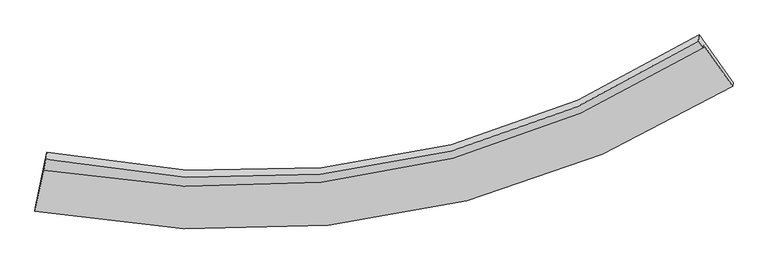
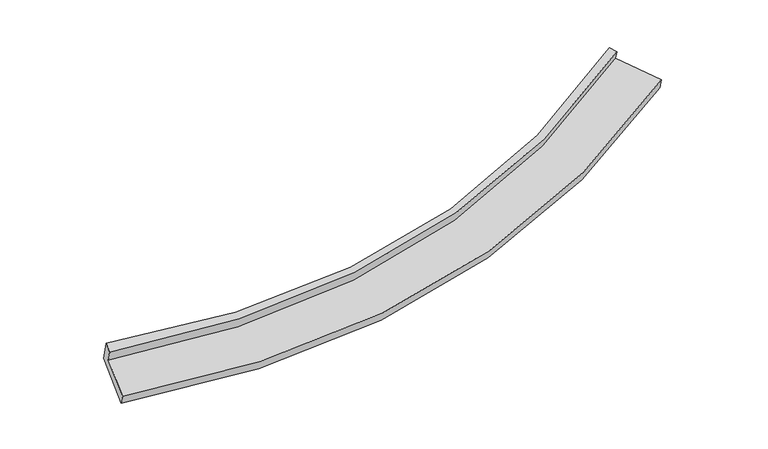
"""IFC4 building model written with IfcOpenShell, lengths in millimetres: proxy geometry."""

from ifc_helpers import new_model, si_unit, frame, origin, place, context, project, spatial, source, transform, mapped, element, save
from ifc_brep_helpers import plane_surface, spline_curve, spline_surface, advanced_brep


def generic_models_fd97f29d(model_context):
    return source(origin(), model_context, "Body", "AdvancedBrep", [
        advanced_brep(
        [(-5188.6552602, -2173.9768885, 1770.1824196), (-5181.7626391, -2121.7552339, 1600.8276021), (4312.1187718, -366.8138864, 2547.9312393), (4306.6016465, -408.6141551, 2683.489504), (-5155.8280828, -2016.0642605, 1820.2118439), (4237.7142595, -313.8997021, 2720.2674013), (-5142.4092053, -1914.3966981, 1490.5039554), (4249.4329352, -225.1136467, 2432.3342379), (-5308.285241, -2712.33069, 1237.704805), (4739.6259176, -911.0763828, 2202.8184397), (-5314.8114974, -2761.7765978, 1398.057876), (4732.4012813, -965.8135361, 2380.331019)],
        [
            (0, 1),
            (1, 2, spline_curve(3, [(-5181.7626391, -2121.7552339, 1600.8276021), (-3106.688949794, -2492.518657422, 1569.696917446), (-1143.805858956, -2434.243953512, 1669.364757196), (1960.072834268, -1616.949930788, 2055.890147962), (3161.816879735, -1090.244185345, 2271.923520308), (4312.1187718, -366.8138864, 2547.9312393)], [4, 2, 4], [0.0, 19.355827595155745, 32.462519340600736])),
            (2, 3),
            (3, 0, spline_curve(3, [(4306.6016465, -408.6141551, 2683.489504), (3155.76211226, -1136.117879278, 2420.691902095), (1953.622755289, -1665.818683759, 2214.371506171), (-1150.882516498, -2487.859952811, 1843.241433822), (-3113.828794492, -2546.613392233, 1745.126134963), (-5188.6552602, -2173.9768885, 1770.1824196)], [4, 2, 4], [0.0, 13.10669174544499, 32.462519340600736])),
            (4, 0),
            (3, 5),
            (5, 4, spline_curve(3, [(4237.7142595, -313.8997021, 2720.2674013), (3100.035106913, -1046.269435659, 2451.649971029), (1911.26957329, -1575.437568549, 2242.579549475), (-1159.582898529, -2382.788123259, 1872.241498741), (-3101.998145844, -2421.008176897, 1781.293401084), (-5155.8280828, -2016.0642605, 1820.2118439)], [4, 2, 4], [0.0, 13.04092629967673, 32.29963216077999])),
            (6, 4),
            (5, 7),
            (7, 6, spline_curve(3, [(4249.4329352, -225.1136467, 2432.3342379), (3112.134053574, -954.602270537, 2154.373369298), (1923.687642785, -1481.352586829, 1937.461969833), (-1146.525884148, -2283.862199615, 1551.424743245), (-3088.693519551, -2320.206233518, 1454.392715297), (-5142.4092053, -1914.3966981, 1490.5039554)], [4, 2, 4], [0.0, 12.975384451025384, 32.1372987839992])),
            (8, 6),
            (7, 9),
            (9, 8, spline_curve(3, [(4739.6259176, -911.0763828, 2202.8184397), (3515.918213317, -1671.663037543, 1921.487244898), (2240.301189213, -2223.039852645, 1701.30112169), (-1047.702406122, -3070.515500725, 1307.389880016), (-3121.389101897, -3119.556787375, 1205.871458515), (-5308.285241, -2712.33069, 1237.704805)], [4, 2, 4], [0.0, 13.414241454146186, 33.2242552966156])),
            (10, 8),
            (9, 11),
            (11, 10, spline_curve(3, [(4732.4012813, -965.8135361, 2380.331019), (3509.03206951, -1723.835617168, 2090.682911626), (2233.654820456, -2273.395787832, 1864.60540999), (-1053.999405468, -3118.224451392, 1462.110001288), (-3127.693082898, -3167.318635035, 1360.76312176), (-5314.8114974, -2761.7765978, 1398.057876)], [4, 2, 4], [0.0, 13.853278401748145, 34.311657493872595])),
            (1, 10),
            (11, 2),
        ],
        [
            spline_surface(3, 3, [[(-5188.6552602, -2173.9768885, 1770.1824196), (-3113.828794707, -2546.613392405, 1745.126135219), (-1150.882516209, -2487.859952582, 1843.241434091), (1953.622755094, -1665.818683914, 2214.371505989), (3155.762112168, -1136.117879292, 2420.691901897), (4306.6016465, -408.6141551, 2683.489504)], [(-5186.357719837, -2156.569670299, 1713.730813767), (-3111.448846416, -2528.581813994, 1686.649729324), (-1148.52363036, -2469.987952878, 1785.282541916), (1955.772781425, -1649.529099579, 2161.544386606), (3157.78036808, -1120.826648017, 2371.102441322), (4308.440688278, -394.680732194, 2638.30341575)], [(-5184.060179463, -2139.162452101, 1657.279207933), (-3109.068898113, -2510.550235585, 1628.173323427), (-1146.164744523, -2452.115953117, 1727.323649664), (1957.922807745, -1633.239515189, 2108.717267147), (3159.798623958, -1105.535416759, 2321.512980796), (4310.279730022, -380.747309306, 2593.11732755)], [(-5181.7626391, -2121.7552339, 1600.8276021), (-3106.688949823, -2492.518657174, 1569.696917532), (-1143.805858674, -2434.243953412, 1669.364757489), (1960.072834077, -1616.949930855, 2055.890147763), (3161.81687987, -1090.244185483, 2271.923520221), (4312.1187718, -366.8138864, 2547.9312393)]], [4, 4], [4, 2, 4], [0.0, 0.5791038151485188], [0.0, 19.355827595155745, 32.462519340600736]),
            spline_surface(3, 3, [[(-5155.8280828, -2016.0642605, 1820.2118439), (-3101.998145808, -2421.008176845, 1781.293401179), (-1159.582898507, -2382.788123543, 1872.241498834), (1911.269573275, -1575.437568356, 2242.579549412), (3100.035106767, -1046.269435529, 2451.649970867), (4237.7142595, -313.8997021, 2720.2674013)], [(-5166.770475273, -2068.701803184, 1803.535369147), (-3105.941695447, -2462.876582049, 1769.237645873), (-1156.682771062, -2417.812066551, 1862.574810575), (1925.38730056, -1605.56460687, 2233.176868259), (3118.610775238, -1076.218916792, 2441.330614556), (4260.676721837, -345.471186442, 2708.008102212)], [(-5177.712867727, -2121.339345816, 1786.858894353), (-3109.885245068, -2504.744987201, 1757.181890525), (-1153.782643654, -2452.836009574, 1852.90812235), (1939.505027809, -1635.6916454, 2223.774187142), (3137.186443697, -1106.168398029, 2431.011258208), (4283.639184163, -377.042670758, 2695.748803088)], [(-5188.6552602, -2173.9768885, 1770.1824196), (-3113.828794707, -2546.613392405, 1745.126135219), (-1150.882516209, -2487.859952582, 1843.241434091), (1953.622755094, -1665.818683914, 2214.371505989), (3155.762112168, -1136.117879292, 2420.691901897), (4306.6016465, -408.6141551, 2683.489504)]], [4, 4], [4, 2, 4], [0.0, 0.35207457891287575], [0.0, 19.258705861103262, 32.29963216077999]),
            spline_surface(3, 3, [[(-5142.4092053, -1914.3966981, 1490.5039554), (-3088.693519473, -2320.206233605, 1454.392715478), (-1146.525883866, -2283.862199596, 1551.424743531), (1923.687642594, -1481.352586842, 1937.46196964), (3112.134053788, -954.602270415, 2154.373369128), (4249.4329352, -225.1136467, 2432.3342379)], [(-5146.882164456, -1948.285885554, 1600.406584878), (-3093.128394908, -2353.806881339, 1563.359610689), (-1150.878222083, -2316.837507562, 1658.363661975), (1919.548286151, -1512.71424733, 2039.167829574), (3108.101071429, -985.157992121, 2253.465569718), (4245.526709948, -254.708998501, 2528.311959043)], [(-5151.355123644, -1982.175073046, 1710.309214422), (-3097.563270374, -2387.407529111, 1672.326505968), (-1155.23056029, -2349.812815577, 1765.30258039), (1915.408929718, -1544.075907868, 2140.873689478), (3104.068089126, -1015.713713823, 2352.557770278), (4241.620484752, -284.304350299, 2624.289680157)], [(-5155.8280828, -2016.0642605, 1820.2118439), (-3101.998145808, -2421.008176845, 1781.293401179), (-1159.582898507, -2382.788123543, 1872.241498834), (1911.269573275, -1575.437568356, 2242.579549412), (3100.035106767, -1046.269435529, 2451.649970867), (4237.7142595, -313.8997021, 2720.2674013)]], [4, 4], [4, 2, 4], [0.0, 1.0848184980831341], [0.0, 19.161914332973815, 32.1372987839992]),
            spline_surface(3, 3, [[(-5308.285241, -2712.33069, 1237.704805), (-3121.389102199, -3119.556787636, 1205.871458622), (-1047.702406418, -3070.515500562, 1307.389880305), (2240.301189413, -2223.039852755, 1701.301121495), (3515.918213203, -1671.663037428, 1921.487244714), (4739.6259176, -911.0763828, 2202.8184397)], [(-5252.993229117, -2446.352692704, 1321.971188469), (-3110.490574641, -2853.106602963, 1288.711877577), (-1080.643565565, -2808.297733578, 1388.734834714), (2134.763340477, -1975.810764122, 1780.021404211), (3381.323493415, -1432.642781745, 1999.115952835), (4576.228256817, -682.422137421, 2279.32370575)], [(-5197.701217183, -2180.374695396, 1406.237571931), (-3099.592047031, -2586.656418278, 1371.552296524), (-1113.58472472, -2546.07996658, 1470.079789121), (2029.225491531, -1728.581675475, 1858.741686924), (3246.728773576, -1193.622526098, 2076.744661007), (4412.830595983, -453.767892079, 2355.82897185)], [(-5142.4092053, -1914.3966981, 1490.5039554), (-3088.693519473, -2320.206233605, 1454.392715478), (-1146.525883866, -2283.862199596, 1551.424743531), (1923.687642594, -1481.352586842, 1937.46196964), (3112.134053788, -954.602270415, 2154.373369128), (4249.4329352, -225.1136467, 2432.3342379)]], [4, 4], [4, 2, 4], [0.0, 2.708173911527753], [0.0, 19.810013842469417, 33.2242552966156]),
            spline_surface(3, 3, [[(-5314.8114974, -2761.7765978, 1398.057876), (-3127.693083161, -3167.318634902, 1360.76312158), (-1053.999405676, -3118.224451651, 1462.110000949), (2233.654820597, -2273.395787657, 1864.60541022), (3509.032069336, -1723.835617006, 2090.682911845), (4732.4012813, -965.8135361, 2380.331019)], [(-5312.636078607, -2745.294628547, 1344.606852355), (-3125.59175618, -3151.39801916, 1309.132567282), (-1051.900405911, -3102.321467963, 1410.536627399), (2235.870276881, -2256.610476031, 1810.170647309), (3511.327450595, -1706.44475716, 2034.284356152), (4734.80949337, -947.567818346, 2321.160159251)], [(-5310.460659793, -2728.812659253, 1291.155828645), (-3123.49042918, -3135.477403378, 1257.50201292), (-1049.801406183, -3086.41848425, 1358.963253855), (2238.085733129, -2239.825164381, 1755.735884405), (3513.622831943, -1689.053897275, 1977.885800407), (4737.21770553, -929.322100554, 2261.989299449)], [(-5308.285241, -2712.33069, 1237.704805), (-3121.389102199, -3119.556787636, 1205.871458622), (-1047.702406418, -3070.515500562, 1307.389880305), (2240.301189413, -2223.039852755, 1701.301121495), (3515.918213203, -1671.663037428, 1921.487244714), (4739.6259176, -911.0763828, 2202.8184397)]], [4, 4], [4, 2, 4], [0.0, 0.5420886768204405], [0.0, 20.45837909212445, 34.311657493872595]),
            spline_surface(3, 3, [[(-5181.7626391, -2121.7552339, 1600.8276021), (-3106.688949823, -2492.518657174, 1569.696917532), (-1143.805858674, -2434.243953412, 1669.364757489), (1960.072834077, -1616.949930855, 2055.890147763), (3161.81687987, -1090.244185483, 2271.923520221), (4312.1187718, -366.8138864, 2547.9312393)], [(-5226.11225851, -2335.095688512, 1533.237693384), (-3113.690327579, -2717.451983062, 1500.052318865), (-1113.87037437, -2662.237452815, 1600.27983862), (2051.266829556, -1835.765216446, 1992.12856856), (3277.555276374, -1301.44132932, 2211.50998409), (4452.212941649, -566.480436296, 2492.064499194)], [(-5270.46187799, -2548.436143188, 1465.647784716), (-3120.691705405, -2942.385309014, 1430.407720247), (-1083.93488998, -2890.230952248, 1531.194919818), (2142.460825118, -2054.580502066, 1928.366989423), (3393.293672832, -1512.638473169, 2151.096447976), (4592.307111451, -766.146986204, 2436.197759106)], [(-5314.8114974, -2761.7765978, 1398.057876), (-3127.693083161, -3167.318634902, 1360.76312158), (-1053.999405676, -3118.224451651, 1462.110000949), (2233.654820597, -2273.395787657, 1864.60541022), (3509.032069336, -1723.835617006, 2090.682911845), (4732.4012813, -965.8135361, 2380.331019)]], [4, 4], [4, 2, 4], [0.0, 2.3560333321009943], [0.0, 19.907046491732007, 33.38699306837303]),
            plane_surface(frame((4429.6491353, -531.8885515, 2494.5286402), z_axis=(0.8276716676482663, 0.5259268224883038, 0.19585859174336528), x_axis=(-0.5609953838383307, 0.7850416923836855, 0.2626665576951949))),
            plane_surface(frame((-5215.2919876, -2283.3833948, 1552.9147503), z_axis=(-0.9801534661802117, 0.19713578364729387, 0.020896543749724397), x_axis=(-0.03886287970424046, -0.29444297820940163, 0.9548785311044916))),
        ],
        [
            (0, [[1, 2, 3, 4]]),
            (1, [[5, -4, 6, 7]]),
            (2, [[8, -7, 9, 10]]),
            (3, [[11, -10, 12, 13]]),
            (4, [[14, -13, 15, 16]]),
            (5, [[17, -16, 18, -2]]),
            (6, [[-12, -9, -6, -3, -18, -15]]),
            (7, [[-1, -5, -8, -11, -14, -17]]),
        ],
    ),
    ])


if __name__ == "__main__":
    model = new_model("IFC4")
    model_context = context("Model", 3, world=origin())
    ifc_project = project(units=[si_unit("LENGTHUNIT", "METRE", prefix="MILLI")], contexts=[model_context])
    site = spatial("IfcSite", under=ifc_project)
    building = spatial("IfcBuilding", under=site)
    placement = place(None, origin())
    generic_models_shape = generic_models_fd97f29d(model_context)
    element("IfcBuildingElementProxy", 1, Name="Generic Models", at=placement, inside=building, context=model_context, shape_type="MappedRepresentation", body=[
        mapped(generic_models_shape, transform((0.0, 0.0, 0.0), x_axis=(1.0, 0.0, 0.0), y_axis=(0.0, 1.0, 0.0), z_axis=(0.0, 0.0, 1.0))),
    ])
    save(model, "model.ifc")
